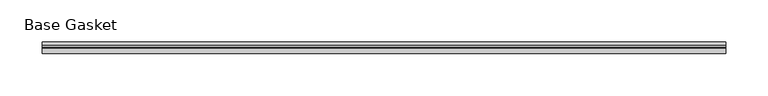
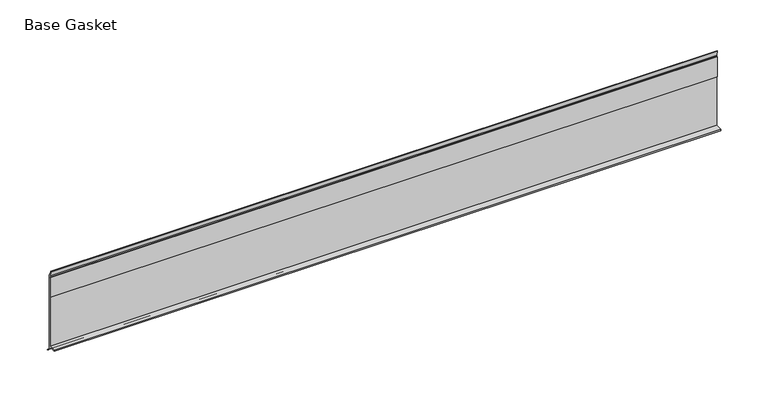
"""IFC4 building model written with IfcOpenShell, lengths in millimetres: furniture geometry, Base Gasket."""

from ifc_helpers import new_model, si_unit, frame, origin, place, context, project, spatial, polyline, outline, extrude, source, transform, mapped, element, save


def base_gasket_8dc1d277(model_context):
    return source(origin(), model_context, "Body", "SweptSolid", [
        extrude(outline(polyline([(3.7283812, 98.4568417), (3.7283812, 4.3498477), (7.4222115, 0.6560174), (7.8482342, 0.0), (6.8281054, 0.3520979), (2.2043812, 4.3498477), (2.1334222, 6.3818476), (-6.2405171, 6.3818476), (-6.2405171, 7.9398773), (2.2043812, 7.9398773), (2.2043812, 71.4693447), (1.4106313, 71.4693447), (1.4106313, 96.8693477), (2.2043812, 96.8693477), (2.2043812, 98.4568417), (0.6755308, 104.4162708), (0.6755308, 105.2002997), (1.1891543, 104.587663), (3.7283812, 98.4568417)])), frame((-1527.8982117, 0.0, 0.0), z_axis=(1.0, 0.0, 0.0), x_axis=(0.0, 1.0, 0.0)), (0.0, 0.0, 1.0), 812.8),
    ])


if __name__ == "__main__":
    model = new_model("IFC4")
    model_context = context("Model", 3, world=origin())
    ifc_project = project(units=[si_unit("LENGTHUNIT", "METRE", prefix="MILLI")], contexts=[model_context])
    site = spatial("IfcSite", under=ifc_project)
    building = spatial("IfcBuilding", under=site)
    placement = place(None, origin())
    base_gasket_shape = base_gasket_8dc1d277(model_context)
    element("IfcFurniture", 1, ObjectType="Base Gasket", at=placement, inside=building, context=model_context, shape_type="MappedRepresentation", body=[
        mapped(base_gasket_shape, transform((0.0, 0.0, 0.0), x_axis=(1.0, 0.0, 0.0), y_axis=(0.0, 1.0, 0.0), z_axis=(0.0, 0.0, 1.0))),
    ])
    save(model, "model.ifc")
